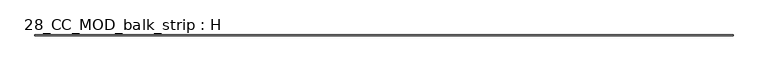
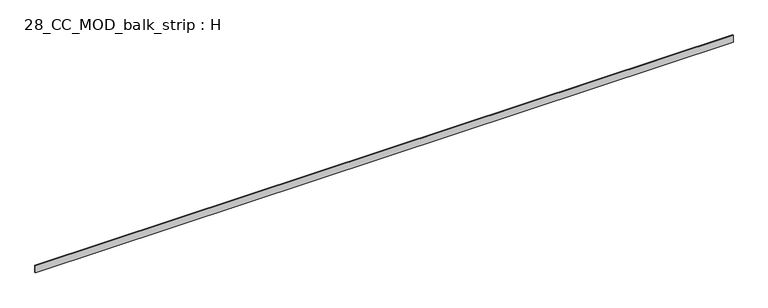
"""IFC4 building model written with IfcOpenShell, lengths in millimetres: beam geometry, 28_CC_MOD_balk_strip : H."""

from ifc_helpers import new_model, si_unit, frame, origin, place, context, project, spatial, polyline, outline, extrude, source, transform, mapped, element, save


def beam_28_cc_mod_balk_strip_h_70ce85fc(model_context):
    return source(origin(), model_context, "Body", "SweptSolid", [
        extrude(outline(polyline([(4850.0, 5.0), (4850.0, -5.0), (-4850.0, -5.0), (-4850.0, 5.0), (4850.0, 5.0)])), frame((0.0, 0.0, -50.0), z_axis=(0.0, 0.0, 1.0), x_axis=(1.0, 0.0, 0.0)), (0.0, 0.0, 1.0), 100.0),
    ])


if __name__ == "__main__":
    model = new_model("IFC4")
    model_context = context("Model", 3, world=origin())
    ifc_project = project(units=[si_unit("LENGTHUNIT", "METRE", prefix="MILLI")], contexts=[model_context])
    site = spatial("IfcSite", under=ifc_project)
    building = spatial("IfcBuilding", under=site)
    placement = place(None, origin())
    beam_28_cc_mod_balk_strip_h_shape = beam_28_cc_mod_balk_strip_h_70ce85fc(model_context)
    element("IfcBeam", 1, ObjectType="28_CC_MOD_balk_strip : H", at=placement, inside=building, context=model_context, shape_type="MappedRepresentation", body=[
        mapped(beam_28_cc_mod_balk_strip_h_shape, transform((0.0, 0.0, 0.0), x_axis=(1.0, 0.0, 0.0), y_axis=(0.0, 1.0, 0.0), z_axis=(0.0, 0.0, 1.0))),
    ])
    save(model, "model.ifc")
